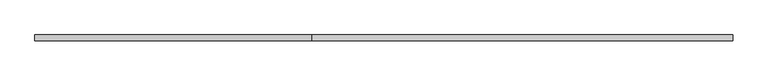
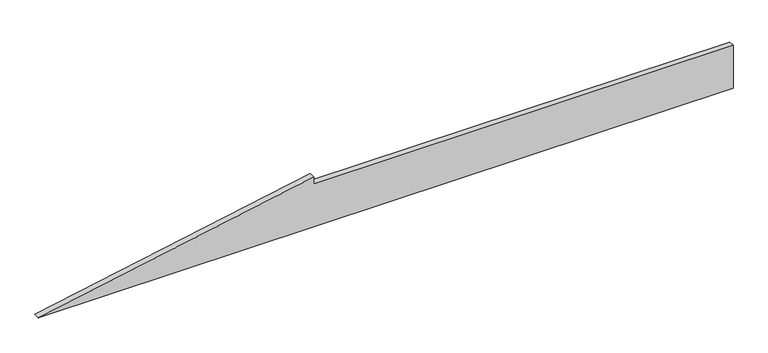
"""IFC4 building model written with IfcOpenShell, lengths in millimetres: plate geometry."""

from ifc_helpers import new_model, si_unit, frame, origin, place, context, project, spatial, polyline, outline, extrude, source, transform, mapped, element, save


def plate_60d87fbe(model_context):
    return source(origin(), model_context, "Body", "SweptSolid", [
        extrude(outline(polyline([(0.0, -1154.287279), (0.0, 1154.287279), (150.0, 1154.287279), (150.0, -239.5145518), (175.0, -239.5145518), (0.0, -1154.287279)])), frame((0.0, 20.0, 0.0), z_axis=(0.0, 1.0, 0.0), x_axis=(0.0, 0.0, 1.0)), (0.0, 0.0, 1.0), 20.0),
    ])


if __name__ == "__main__":
    model = new_model("IFC4")
    model_context = context("Model", 3, world=origin())
    ifc_project = project(units=[si_unit("LENGTHUNIT", "METRE", prefix="MILLI")], contexts=[model_context])
    site = spatial("IfcSite", under=ifc_project)
    building = spatial("IfcBuilding", under=site)
    placement = place(None, origin())
    plate_shape = plate_60d87fbe(model_context)
    element("IfcPlate", 1, at=placement, inside=building, context=model_context, shape_type="MappedRepresentation", body=[
        mapped(plate_shape, transform((0.0, 0.0, 0.0), x_axis=(1.0, 0.0, 0.0), y_axis=(0.0, 1.0, 0.0), z_axis=(0.0, 0.0, 1.0))),
    ])
    save(model, "model.ifc")
